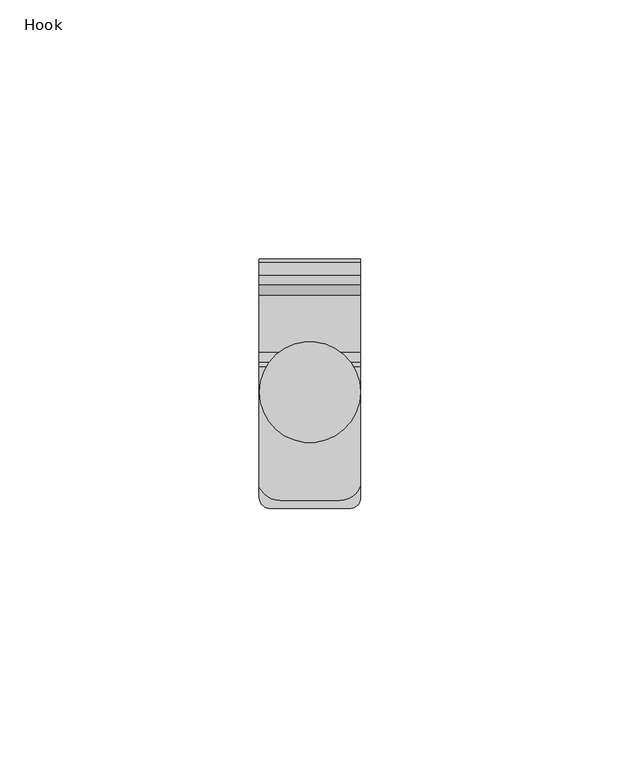
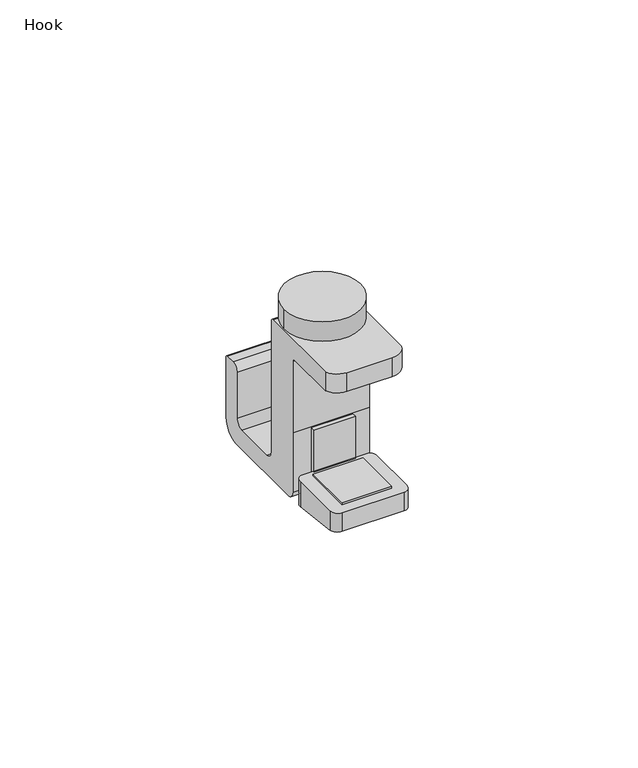
"""IFC4 building model written with IfcOpenShell, lengths in millimetres: furniture geometry, Hook."""

from ifc_helpers import new_model, si_unit, point, frame, frame_2d, origin, place, context, project, spatial, polyline, circle_curve, ellipse_curve, trimmed, segment, composite_curve, outline, extrude, source, transform, mapped, element, save
from ifc_brep_helpers import plane_surface, cylinder_surface, revolved_surface, advanced_brep


def hook_5be7d4d9(model_context):
    return source(origin(), model_context, "Body", "SolidModel", [
        advanced_brep(
        [(9.7831238, 75.5085693, 703.9572493), (9.7831238, 75.5085693, 728.3109953), (9.7831238, 74.7458252, 729.0730127), (9.7831238, 51.7675081, 729.0730127), (9.7831238, 51.7675081, 723.9810997), (9.7831238, 65.2266388, 723.9810997), (9.7831238, 65.9882203, 723.2195182), (9.7831238, 65.9882202, 703.9572493), (9.7831238, 65.9882202, 687.8325068), (9.7831238, 68.0206543, 685.8000727), (9.7831238, 91.0134369, 685.8000727), (9.7831238, 95.4596771, 690.2431881), (9.7831238, 95.4596771, 706.552367), (9.7831238, 94.9515686, 707.0604755), (9.7831238, 92.3970734, 707.0604755), (9.7831238, 90.6192749, 705.2826771), (9.7831238, 90.6192749, 692.9017467), (9.7831238, 88.5694, 690.8898056), (9.7831238, 77.5398407, 690.8898056), (9.7831238, 75.5085692, 692.9210771), (-9.7831238, 75.5085693, 703.9572493), (-9.7831238, 75.5085693, 692.9210771), (-9.7831238, 77.5398407, 690.8898056), (-9.7831238, 88.5694, 690.8898056), (-9.7831238, 90.6192749, 692.9017467), (-9.7831238, 90.6192749, 705.2826771), (-9.7831238, 92.3970734, 707.0604755), (-9.7831238, 94.9515686, 707.0604755), (-9.7831238, 95.4596771, 706.552367), (-9.7831238, 95.4596771, 690.2431881), (-9.7831238, 91.0134369, 685.8000727), (-9.7831238, 68.0206543, 685.8000727), (-9.7831238, 65.9882202, 687.8325068), (-9.7831238, 65.9882202, 703.9572493), (-9.7831238, 65.9882202, 723.2195182), (-9.7831238, 65.2266388, 723.9810997), (-9.7831238, 51.5663971, 723.9810997), (-9.7831238, 51.5663971, 729.0730127), (-9.7831238, 74.7458252, 729.0730127), (-9.7831238, 75.5085693, 728.3109953), (-5.7327896, 48.9706543, 729.0730127), (5.7327896, 48.9706543, 729.0730127), (5.7327896, 48.9706543, 723.9810997), (-5.7327896, 48.9706543, 723.9810997)],
        [
            (0, 1),
            (1, 2, circle_curve(frame((9.7831238, 74.7458252, 728.3102682), z_axis=(1.0, 0.0, 0.0), x_axis=(0.0, -1.0, 0.0)), 0.7627445)),
            (2, 3),
            (3, 4),
            (4, 5),
            (5, 6, circle_curve(frame((9.7831238, 65.2266388, 723.2195182), z_axis=(-1.0, 0.0, 0.0), x_axis=(0.0, -1.0, 0.0)), 0.7615815)),
            (6, 7),
            (7, 8),
            (8, 9, circle_curve(frame((9.7831238, 68.0206543, 687.8325068), z_axis=(1.0, 0.0, 0.0), x_axis=(0.0, -1.0, 0.0)), 2.0324341)),
            (9, 10),
            (10, 11, circle_curve(frame((9.7831238, 91.0134369, 690.246314), z_axis=(1.0, 0.0, 0.0), x_axis=(0.0, -1.0, 0.0)), 4.4462413)),
            (11, 12),
            (12, 13, circle_curve(frame((9.7831238, 94.9515686, 706.552367), z_axis=(1.0, 0.0, 0.0), x_axis=(0.0, -1.0, 0.0)), 0.5081085)),
            (13, 14),
            (14, 15, circle_curve(frame((9.7831238, 92.3970734, 705.2826771), z_axis=(1.0, 0.0, 0.0), x_axis=(0.0, -1.0, 0.0)), 1.7777985)),
            (15, 16),
            (16, 17, circle_curve(frame((9.7831238, 88.5694, 692.9400381), z_axis=(-1.0, 0.0, 0.0), x_axis=(0.0, -1.0, 0.0)), 2.0502325)),
            (17, 18),
            (18, 19, circle_curve(frame((9.7831238, 77.5398407, 692.9210771), z_axis=(-1.0, 0.0, 0.0), x_axis=(0.0, -1.0, 0.0)), 2.0312715)),
            (19, 0),
            (20, 21),
            (21, 22, circle_curve(frame((-9.7831238, 77.5398407, 692.9210771), z_axis=(1.0, 0.0, 0.0), x_axis=(0.0, -1.0, 0.0)), 2.0312715)),
            (22, 23),
            (23, 24, circle_curve(frame((-9.7831238, 88.5694, 692.9400381), z_axis=(1.0, 0.0, 0.0), x_axis=(0.0, -1.0, 0.0)), 2.0502325)),
            (24, 25),
            (25, 26, circle_curve(frame((-9.7831238, 92.3970734, 705.2826771), z_axis=(-1.0, 0.0, 0.0), x_axis=(0.0, -1.0, 0.0)), 1.7777985)),
            (26, 27),
            (27, 28, circle_curve(frame((-9.7831238, 94.9515686, 706.552367), z_axis=(-1.0, 0.0, 0.0), x_axis=(0.0, -1.0, 0.0)), 0.5081085)),
            (28, 29),
            (29, 30, circle_curve(frame((-9.7831238, 91.0134369, 690.246314), z_axis=(-1.0, 0.0, 0.0), x_axis=(0.0, -1.0, 0.0)), 4.4462413)),
            (30, 31),
            (31, 32, circle_curve(frame((-9.7831238, 68.0206543, 687.8325068), z_axis=(-1.0, 0.0, 0.0), x_axis=(0.0, -1.0, 0.0)), 2.0324341)),
            (32, 33),
            (33, 34),
            (34, 35, circle_curve(frame((-9.7831238, 65.2266388, 723.2195182), z_axis=(1.0, 0.0, 0.0), x_axis=(0.0, -1.0, 0.0)), 0.7615815)),
            (35, 36),
            (36, 37),
            (37, 38),
            (38, 39, circle_curve(frame((-9.7831238, 74.7458252, 728.3102682), z_axis=(-1.0, 0.0, 0.0), x_axis=(0.0, -1.0, 0.0)), 0.7627445)),
            (39, 20),
            (0, 20),
            (39, 1),
            (38, 2),
            (37, 40, circle_curve(frame((-5.7327896, 53.4285473, 729.0730127), z_axis=(0.0, 0.0, 1.0), x_axis=(1.0, 0.0, 0.0)), 4.457893)),
            (40, 41),
            (41, 3, circle_curve(frame((5.7327896, 53.3018778, 729.0730127), z_axis=(0.0, 0.0, 1.0), x_axis=(1.0, 0.0, 0.0)), 4.3312235)),
            (35, 5),
            (4, 42, circle_curve(frame((5.7327896, 53.3018778, 723.9810997), z_axis=(0.0, 0.0, -1.0), x_axis=(1.0, 0.0, 0.0)), 4.3312235)),
            (42, 43),
            (43, 36, circle_curve(frame((-5.7327896, 53.4285473, 723.9810997), z_axis=(0.0, 0.0, -1.0), x_axis=(1.0, 0.0, 0.0)), 4.457893)),
            (34, 6),
            (33, 7),
            (32, 8),
            (31, 9),
            (30, 10),
            (29, 11),
            (28, 12),
            (27, 13),
            (26, 14),
            (25, 15),
            (24, 16),
            (23, 17),
            (22, 18),
            (21, 19),
            (42, 41),
            (40, 43),
        ],
        [
            plane_surface(frame((9.7831238, 75.5085693, 728.3109953), z_axis=(1.0, 0.0, 0.0), x_axis=(0.0, 0.0, 1.0))),
            plane_surface(frame((-9.7831238, 75.5085693, 728.3109953), z_axis=(-1.0, 0.0, 0.0), x_axis=(0.0, 0.0, -1.0))),
            plane_surface(frame((9.7831238, 75.5085693, 703.9572493), z_axis=(0.0, 1.0, 0.0), x_axis=(-1.0, 0.0, 0.0))),
            cylinder_surface(frame((-9.7831238, 74.7458252, 728.3102682), z_axis=(1.0, 0.0, 0.0), x_axis=(0.0, -1.0, 0.0)), 0.7627445),
            plane_surface(frame((9.7831238, 74.7458252, 729.0730127), z_axis=(0.0, 0.0, 1.0), x_axis=(-1.0, 0.0, 0.0))),
            plane_surface(frame((9.7831238, 47.4529175, 723.9810997), z_axis=(0.0, 0.0, -1.0), x_axis=(-1.0, 0.0, 0.0))),
            revolved_surface(polyline([(-9.7831238, 64.4650573, 723.2195182), (9.7831238, 64.4650573, 723.2195182)]), (-9.7831238, 65.2266388, 723.2195182), (-1.0, 0.0, 0.0)),
            plane_surface(frame((9.7831238, 65.9882202, 723.2195182), z_axis=(0.0, -1.0, 0.0), x_axis=(-1.0, 0.0, 0.0))),
            plane_surface(frame((9.7831238, 65.9882202, 703.9572493), z_axis=(0.0, -1.0, 2.901122923258187e-09), x_axis=(-1.0, 0.0, 0.0))),
            cylinder_surface(frame((-9.7831238, 68.0206543, 687.8325068), z_axis=(1.0, 0.0, 0.0), x_axis=(0.0, -1.0, 0.0)), 2.0324341),
            plane_surface(frame((9.7831238, 68.0206543, 685.8000727), z_axis=(0.0, 0.0, -1.0), x_axis=(-1.0, 0.0, 0.0))),
            cylinder_surface(frame((-9.7831238, 91.0134369, 690.246314), z_axis=(1.0, 0.0, 0.0), x_axis=(0.0, -1.0, 0.0)), 4.4462413),
            plane_surface(frame((9.7831238, 95.4596771, 690.2431881), z_axis=(0.0, 1.0, -3.1867675075359584e-10), x_axis=(-1.0, 0.0, 0.0))),
            cylinder_surface(frame((-9.7831238, 94.9515686, 706.552367), z_axis=(1.0, 0.0, 0.0), x_axis=(0.0, -1.0, 0.0)), 0.5081085),
            plane_surface(frame((9.7831238, 94.9515686, 707.0604755), z_axis=(0.0, 0.0, 1.0), x_axis=(-1.0, 0.0, 0.0))),
            cylinder_surface(frame((-9.7831238, 92.3970734, 705.2826771), z_axis=(1.0, 0.0, 0.0), x_axis=(0.0, -1.0, 0.0)), 1.7777985),
            plane_surface(frame((9.7831238, 90.6192749, 705.2826771), z_axis=(0.0, -1.0, 0.0), x_axis=(-1.0, 0.0, 0.0))),
            revolved_surface(polyline([(-9.7831238, 86.51916750000001, 692.9400381), (9.7831238, 86.51916750000001, 692.9400381)]), (-9.7831238, 88.5694, 692.9400381), (-1.0, 0.0, 0.0)),
            plane_surface(frame((9.7831238, 88.5694, 690.8898056), z_axis=(0.0, 0.0, 1.0), x_axis=(-1.0, 0.0, 0.0))),
            revolved_surface(polyline([(-9.7831238, 75.5085692, 692.9210771), (9.7831238, 75.5085692, 692.9210771)]), (-9.7831238, 77.5398407, 692.9210771), (-1.0, 0.0, 0.0)),
            plane_surface(frame((9.7831238, 75.5085693, 692.9210771), z_axis=(0.0, 1.0, 0.0), x_axis=(-1.0, 0.0, 0.0))),
            plane_surface(frame((5.7327896, 48.9706543, 856.7706869), z_axis=(0.0, -1.0, 0.0), x_axis=(0.0, 0.0, -1.0))),
            cylinder_surface(frame((-5.7327896, 53.4285473, 714.5011236), z_axis=(0.0, 0.0, -1.0), x_axis=(1.0, 0.0, 0.0)), 4.457893),
            cylinder_surface(frame((5.7327896, 53.3018778, 714.5011236), z_axis=(0.0, 0.0, -1.0), x_axis=(1.0, 0.0, 0.0)), 4.3312235),
        ],
        [
            (0, [[1, 2, 3, 4, 5, 6, 7, 8, 9, 10, 11, 12, 13, 14, 15, 16, 17, 18, 19, 20]]),
            (1, [[21, 22, 23, 24, 25, 26, 27, 28, 29, 30, 31, 32, 33, 34, 35, 36, 37, 38, 39, 40]]),
            (2, [[-1, 41, -40, 42]]),
            (3, [[-2, -42, -39, 43]]),
            (4, [[-43, -38, 44, 45, 46, -3]]),
            (5, [[47, -5, 48, 49, 50, -36]]),
            (6, [[-6, -47, -35, 51]]),
            (7, [[-7, -51, -34, 52]]),
            (8, [[-8, -52, -33, 53]]),
            (9, [[-9, -53, -32, 54]]),
            (10, [[-10, -54, -31, 55]]),
            (11, [[-11, -55, -30, 56]]),
            (12, [[-12, -56, -29, 57]]),
            (13, [[-13, -57, -28, 58]]),
            (14, [[-14, -58, -27, 59]]),
            (15, [[-15, -59, -26, 60]]),
            (16, [[-16, -60, -25, 61]]),
            (17, [[-17, -61, -24, 62]]),
            (18, [[-18, -62, -23, 63]]),
            (19, [[-19, -63, -22, 64]]),
            (20, [[-20, -64, -21, -41]]),
            (21, [[65, -45, 66, -49]]),
            (22, [[-66, -44, -37, -50]]),
            (23, [[-65, -48, -4, -46]]),
        ],
    ),
        extrude(outline(polyline([(65.9882202, 685.8000727), (64.4638947, 685.8000727), (64.4638947, 692.9218037), (64.4638947, 703.9470755), (65.9882202, 703.9470755), (65.9882202, 685.8000727)])), frame((-5.3304886, 0.0, 0.0), z_axis=(1.0, 0.0, 0.0), x_axis=(0.0, 1.0, 0.0)), (0.0, 0.0, 1.0), 10.6609772),
        extrude(outline(polyline([(6.3507751, 62.94422), (6.3507751, 52.7832123), (-6.3507751, 52.7832123), (-6.3507751, 62.94422), (6.3507751, 62.94422)])), frame((0.0, 0.0, 723.4678316), z_axis=(0.0, 0.0, 1.0), x_axis=(1.0, 0.0, 0.0)), (0.0, 0.0, 1.0), 0.5132681),
        extrude(outline(polyline([(6.3507751, 62.94422), (6.3507751, 50.2403442), (-6.3507751, 50.2403442), (-6.3507751, 62.94422), (6.3507751, 62.94422)])), frame((0.0, 0.0, 692.9218763), z_axis=(0.0, 0.0, 1.0), x_axis=(1.0, 0.0, 0.0)), (0.0, 0.0, 1.0), 0.5068005),
        advanced_brep(
        [(8.1048605, 64.4638947, 692.9218763), (-8.1048605, 64.4638947, 692.9218763), (-9.7831238, 62.6727055, 692.9218763), (-9.7831238, 49.5045271, 692.9218763), (-7.8827391, 47.4529175, 692.9218763), (7.8827391, 47.4529175, 692.9218763), (9.7831238, 49.5045271, 692.9218763), (9.7831238, 62.6727055, 692.9218763), (8.1048605, 64.4638947, 685.8123416), (-8.1048605, 64.4638947, 685.8123416), (-9.7831238, 62.6727055, 686.0322719), (-9.7831238, 49.5045271, 687.6491209), (9.7831238, 49.5045271, 687.6491209), (9.7831238, 62.6727055, 686.0322719), (-7.8827391, 47.4529175, 687.9010269), (7.8827391, 47.4529175, 687.9010269)],
        [
            (0, 1),
            (1, 2, circle_curve(frame((-8.1048605, 62.7820717, 692.9218763), z_axis=(0.0, 0.0, 1.0), x_axis=(1.0, 0.0, 0.0)), 1.681823)),
            (2, 3),
            (3, 4, circle_curve(frame((-7.7254972, 49.5045271, 692.9218763), z_axis=(0.0, 0.0, 1.0), x_axis=(1.0, 0.0, 0.0)), 2.0576265)),
            (4, 5),
            (5, 6, circle_curve(frame((7.7254972, 49.5045271, 692.9218763), z_axis=(0.0, 0.0, 1.0), x_axis=(1.0, 0.0, 0.0)), 2.0576265)),
            (6, 7),
            (7, 0, circle_curve(frame((8.1048605, 62.7820717, 692.9218763), z_axis=(0.0, 0.0, 1.0), x_axis=(1.0, 0.0, 0.0)), 1.681823)),
            (0, 8),
            (8, 9),
            (9, 1),
            (9, 10, ellipse_curve(frame((-8.1048605, 62.7820717, 686.0188435), z_axis=(0.0, 0.12186934340514739, 0.9925461516413221), x_axis=(0.0, -0.9925461516413222, 0.12186934340514621)), 1.6944532, 1.681823)),
            (10, 2),
            (10, 11),
            (11, 3),
            (6, 12),
            (12, 13),
            (13, 7),
            (13, 8, ellipse_curve(frame((8.1048605, 62.7820717, 686.0188435), z_axis=(0.0, 0.12186934340514739, 0.9925461516413221), x_axis=(0.0, -0.9925461516413222, 0.12186934340514621)), 1.6944532, 1.681823)),
            (11, 14, ellipse_curve(frame((-7.7254972, 49.5045271, 687.6491209), z_axis=(0.0, 0.12186934340514739, 0.9925461516413221), x_axis=(0.0, -0.9925461516413222, 0.12186934340514621)), 2.0730789, 2.0576265)),
            (14, 4),
            (14, 15),
            (15, 5),
            (15, 12, ellipse_curve(frame((7.7254972, 49.5045271, 687.6491209), z_axis=(0.0, 0.12186934340514739, 0.9925461516413221), x_axis=(0.0, -0.9925461516413222, 0.12186934340514621)), 2.0730789, 2.0576265)),
        ],
        [
            plane_surface(frame((-8.1048605, 64.4638947, 692.9218763), z_axis=(0.0, 0.0, 1.0), x_axis=(-1.0, 0.0, 0.0))),
            plane_surface(frame((8.1048605, 64.4638947, 692.9218763), z_axis=(0.0, 1.0, 0.0), x_axis=(0.0, 0.0, -1.0))),
            cylinder_surface(frame((-8.1048605, 62.7820717, 683.8844239), z_axis=(0.0, 0.0, 1.0), x_axis=(1.0, 0.0, 0.0)), 1.681823),
            plane_surface(frame((-9.7831238, 62.6727055, 692.9218763), z_axis=(-1.0, 0.0, 0.0), x_axis=(0.0, 0.0, -1.0))),
            plane_surface(frame((9.7831238, 49.5045271, 692.9218763), z_axis=(1.0, 0.0, 0.0), x_axis=(0.0, 0.0, -1.0))),
            cylinder_surface(frame((8.1048605, 62.7820717, 683.8844239), z_axis=(0.0, 0.0, 1.0), x_axis=(1.0, 0.0, 0.0)), 1.681823),
            cylinder_surface(frame((-7.7254972, 49.5045271, 683.8844239), z_axis=(0.0, 0.0, 1.0), x_axis=(1.0, 0.0, 0.0)), 2.0576265),
            plane_surface(frame((-7.8827391, 47.4529175, 692.9218763), z_axis=(0.0, -1.0, 0.0), x_axis=(0.0, 0.0, -1.0))),
            cylinder_surface(frame((7.7254972, 49.5045271, 683.8844239), z_axis=(0.0, 0.0, 1.0), x_axis=(1.0, 0.0, 0.0)), 2.0576265),
            plane_surface(frame((304.8, 64.6946204, 685.784012), z_axis=(0.0, -0.12186934340514739, -0.9925461516413221), x_axis=(-1.0, 0.0, 0.0))),
        ],
        [
            (0, [[1, 2, 3, 4, 5, 6, 7, 8]]),
            (1, [[-1, 9, 10, 11]]),
            (2, [[-2, -11, 12, 13]]),
            (3, [[-3, -13, 14, 15]]),
            (4, [[-7, 16, 17, 18]]),
            (5, [[-8, -18, 19, -9]]),
            (6, [[-4, -15, 20, 21]]),
            (7, [[-5, -21, 22, 23]]),
            (8, [[-6, -23, 24, -16]]),
            (9, [[-10, -19, -17, -24, -22, -20, -14, -12]]),
        ],
    ),
        extrude(outline(composite_curve([segment(trimmed(circle_curve(frame_2d((0.0, 69.8602326)), 9.737003), [point((-9.737003, 69.8602326))], [point((9.737003, 69.8602326))], False, "CARTESIAN"), True, "CONTINUOUS"), segment(trimmed(circle_curve(frame_2d((0.0, 69.8602326)), 9.737003), [point((9.737003, 69.8602326))], [point((-9.737003, 69.8602326))], False, "CARTESIAN"), True, "CONTINUOUS")], self_intersect=False)), frame((0.0, 0.0, 729.5872982), z_axis=(0.0, 0.0, 1.0), x_axis=(1.0, 0.0, 0.0)), (0.0, 0.0, 1.0), 5.2782389),
    ])


if __name__ == "__main__":
    model = new_model("IFC4")
    model_context = context("Model", 3, world=origin())
    ifc_project = project(units=[si_unit("LENGTHUNIT", "METRE", prefix="MILLI")], contexts=[model_context])
    site = spatial("IfcSite", under=ifc_project)
    building = spatial("IfcBuilding", under=site)
    placement = place(None, origin())
    hook_shape = hook_5be7d4d9(model_context)
    element("IfcFurniture", 1, ObjectType="Hook", at=placement, inside=building, context=model_context, shape_type="MappedRepresentation", body=[
        mapped(hook_shape, transform((0.0, 0.0, 0.0), x_axis=(1.0, 0.0, 0.0), y_axis=(0.0, 1.0, 0.0), z_axis=(0.0, 0.0, 1.0))),
    ])
    save(model, "model.ifc")
